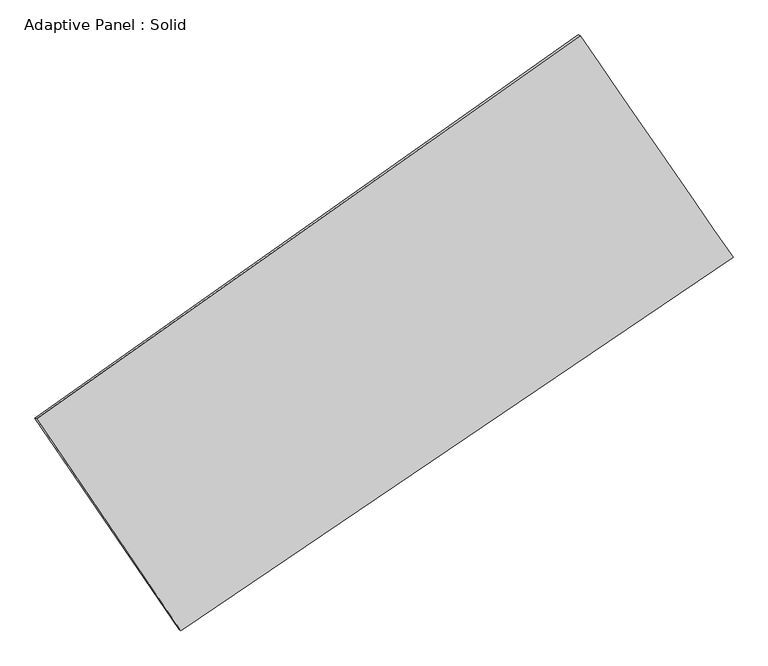
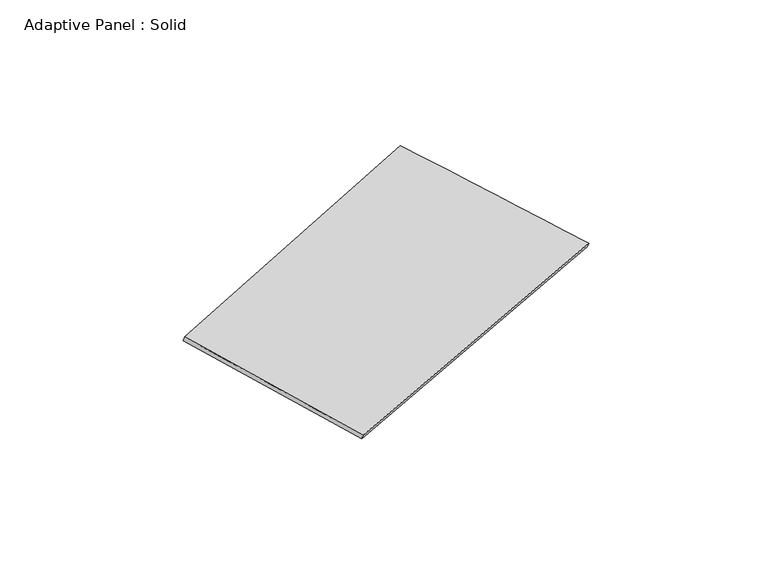
"""IFC4 building model written with IfcOpenShell, lengths in millimetres: plate geometry, Adaptive Panel : Solid."""

from ifc_helpers import new_model, si_unit, frame, origin, place, context, project, spatial, source, transform, mapped, element, save
from ifc_brep_helpers import plane_surface, spline_surface, advanced_brep


def adaptive_panel_solid_9e6e89e2(model_context):
    return source(origin(), model_context, "Body", "AdvancedBrep", [
        advanced_brep(
        [(1069.5329089, 2513.5564875, 673.9428541), (-3666.1321026, -825.3468895, 1724.5679183), (-3651.4657467, -831.726983, 1771.9408263), (1084.1992648, 2507.176394, 721.3157621), (-2409.1111879, -2670.3228284, 1052.0390481), (-2394.4448321, -2676.7029219, 1099.4119561), (2402.4198034, 581.8646576, 34.5726998), (2417.0861592, 575.4845642, 81.9456078)],
        [
            (0, 1),
            (1, 2),
            (2, 3),
            (3, 0),
            (1, 4),
            (4, 5),
            (5, 2),
            (4, 6),
            (6, 7),
            (7, 5),
            (6, 0),
            (3, 7),
        ],
        [
            plane_surface(frame((-1298.2995968, 844.104799, 1199.2553862), z_axis=(-0.5144387776447378, 0.8142659032072491, 0.2689308143918644), x_axis=(-0.8041741733941102, -0.5669868659875038, 0.17840905986963868))),
            plane_surface(frame((-3037.6216452, -1747.834859, 1388.3034832), z_axis=(-0.7866023632505843, -0.5954659740352027, 0.16333093979679247), x_axis=(0.539125014595431, -0.7912936597877541, -0.2884416104121915))),
            plane_surface(frame((-3.3456923, -1044.2290854, 543.3058739), z_axis=(0.5005981094115938, -0.8238211721047785, -0.26593271563582965), x_axis=(0.8160672783825348, 0.5515923716088572, -0.17256897964651366))),
            plane_surface(frame((1735.9763562, 1547.7105726, 354.2577769), z_axis=(0.7860156973918013, 0.5963213931249565, -0.16303410549695246), x_axis=(-0.5479605624939297, 0.7941341054970029, 0.2628502319531244))),
            spline_surface(1, 1, [[(-3651.4657467, -831.726983, 1771.9408263), (1084.1992648, 2507.176394, 721.3157621)], [(-2394.4448321, -2676.7029219, 1099.4119561), (2417.0861592, 575.4845642, 81.9456078)]], [2, 2], [2, 2], [0.0, 1.0], [0.0, 1.0]),
            spline_surface(1, 1, [[(2402.4198034, 581.8646576, 34.5726998), (1069.5329089, 2513.5564875, 673.9428541)], [(-2409.1111879, -2670.3228284, 1052.0390481), (-3666.1321026, -825.3468895, 1724.5679183)]], [2, 2], [2, 2], [0.0, 1.0], [0.0, 1.0]),
        ],
        [
            (0, [[1, 2, 3, 4]]),
            (1, [[5, 6, 7, -2]]),
            (2, [[8, 9, 10, -6]]),
            (3, [[11, -4, 12, -9]]),
            (4, [[-3, -7, -10, -12]]),
            (5, [[-11, -8, -5, -1]]),
        ],
    ),
    ])


if __name__ == "__main__":
    model = new_model("IFC4")
    model_context = context("Model", 3, world=origin())
    ifc_project = project(units=[si_unit("LENGTHUNIT", "METRE", prefix="MILLI")], contexts=[model_context])
    site = spatial("IfcSite", under=ifc_project)
    building = spatial("IfcBuilding", under=site)
    placement = place(None, origin())
    adaptive_panel_solid_shape = adaptive_panel_solid_9e6e89e2(model_context)
    element("IfcPlate", 1, ObjectType="Adaptive Panel : Solid", at=placement, inside=building, context=model_context, shape_type="MappedRepresentation", body=[
        mapped(adaptive_panel_solid_shape, transform((0.0, 0.0, 0.0), x_axis=(1.0, 0.0, 0.0), y_axis=(0.0, 1.0, 0.0), z_axis=(0.0, 0.0, 1.0))),
    ])
    save(model, "model.ifc")
